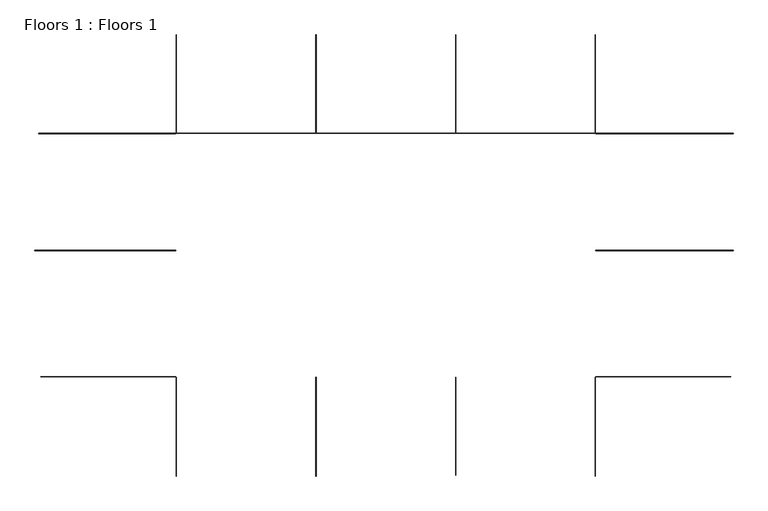
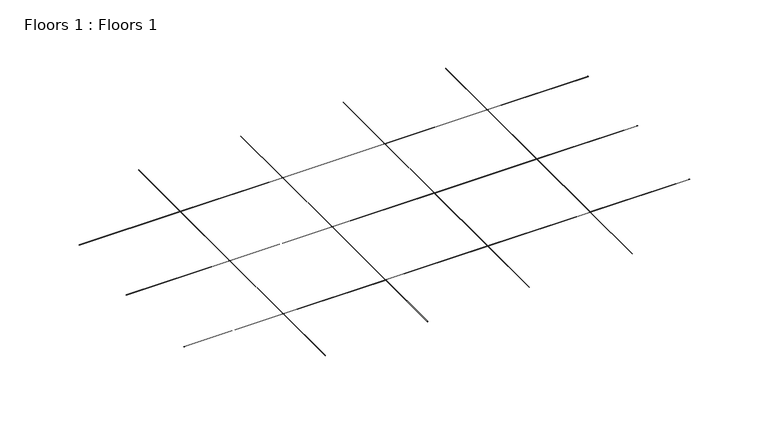
"""IFC4 building model written with IfcOpenShell, lengths in millimetres: slab geometry, Floors 1 : Floors 1."""

from ifc_helpers import new_model, si_unit, frame, origin, place, context, project, spatial, polyline, outline, extrude, source, transform, mapped, element, save


def floors_1_floors_1_1921b667(model_context):
    return source(origin(), model_context, "Body", "SweptSolid", [
        extrude(outline(polyline([(-9067.5772188, 380.3575449), (-9067.5772188, 5375.3575449), (-14945.5772188, 5375.3575449), (-14945.5772188, 5380.3575449), (-9067.5772188, 5380.3575449), (-9067.5772188, 9592.8575449), (-9062.5772188, 9592.8575449), (-9062.5772188, 5380.3575449), (-3098.5772188, 5380.3575449), (-3098.5772188, 9592.8575449), (-3093.5772188, 9592.8575449), (-3093.5772188, 5380.3575449), (2870.4227812, 5380.3575449), (2870.4227812, 9592.8575449), (2875.4227812, 9592.8575449), (2875.4227812, 5380.3575449), (8839.4227812, 5380.3575449), (8839.4227812, 9592.8575449), (8844.4227812, 9592.8575449), (8844.4227812, 5380.3575449), (14727.6227812, 5380.3575449), (14727.6227812, 5375.3575449), (8844.4227812, 5375.3575449), (8844.4227812, 380.3575449), (14727.6227812, 380.3575449), (14727.6227812, 375.3575449), (8844.4227812, 375.3575449), (8844.4227812, -5017.1547731), (14637.8227812, -5017.1547731), (14637.8227812, -5022.1547731), (8844.4227812, -5022.1547731), (8844.4227812, -9258.7424551), (8839.4227812, -9258.7424551), (8839.4227812, -5022.1547731), (2875.4227812, -5022.1547731), (2875.4227812, -9215.7424551), (2870.4227812, -9215.7424551), (2870.4227812, -5022.1547731), (-3093.5772188, -5022.1547731), (-3093.5772188, -9258.7424551), (-3098.5772188, -9258.7424551), (-3098.5772188, -5022.1547731), (-9062.5772188, -5022.1547731), (-9062.5772188, -9258.7424551), (-9067.5772188, -9258.7424551), (-9067.5772188, -5022.1547731), (-14858.9772188, -5022.1547731), (-14858.9772188, -5017.1547731), (-9067.5772188, -5017.1547731), (-9067.5772188, 375.3575449), (-15110.5772188, 375.3575449), (-15110.5772188, 380.3575449), (-9067.5772188, 380.3575449)]), holes=[polyline([(-9062.5772188, 380.3575449), (-3098.5772188, 380.3575449), (-3098.5772188, 5375.3575449), (-9062.5772188, 5375.3575449), (-9062.5772188, 380.3575449)]), polyline([(-3093.5772188, 380.3575449), (2870.4227812, 380.3575449), (2870.4227812, 5375.3575449), (-3093.5772188, 5375.3575449), (-3093.5772188, 380.3575449)]), polyline([(2875.4227812, 375.3575449), (2875.4227812, -5017.1547731), (8839.4227812, -5017.1547731), (8839.4227812, 375.3575449), (2875.4227812, 375.3575449)]), polyline([(2875.4227812, 5375.3575449), (2875.4227812, 380.3575449), (8839.4227812, 380.3575449), (8839.4227812, 5375.3575449), (2875.4227812, 5375.3575449)]), polyline([(-9062.5772188, -5017.1547731), (-3098.5772188, -5017.1547731), (-3098.5772188, 375.3575449), (-9062.5772188, 375.3575449), (-9062.5772188, -5017.1547731)]), polyline([(-3093.5772188, -5017.1547731), (2870.4227812, -5017.1547731), (2870.4227812, 375.3575449), (-3093.5772188, 375.3575449), (-3093.5772188, -5017.1547731)])]), frame((0.0, 0.0, -10.0), z_axis=(0.0, 0.0, 1.0), x_axis=(1.0, 0.0, 0.0)), (0.0, 0.0, 1.0), 10.0),
    ])


if __name__ == "__main__":
    model = new_model("IFC4")
    model_context = context("Model", 3, world=origin())
    ifc_project = project(units=[si_unit("LENGTHUNIT", "METRE", prefix="MILLI")], contexts=[model_context])
    site = spatial("IfcSite", under=ifc_project)
    building = spatial("IfcBuilding", under=site)
    placement = place(None, origin())
    floors_1_floors_1_shape = floors_1_floors_1_1921b667(model_context)
    element("IfcSlab", 1, ObjectType="Floors 1 : Floors 1", at=placement, inside=building, context=model_context, shape_type="MappedRepresentation", body=[
        mapped(floors_1_floors_1_shape, transform((0.0, 0.0, 0.0), x_axis=(1.0, 0.0, 0.0), y_axis=(0.0, 1.0, 0.0), z_axis=(0.0, 0.0, 1.0))),
    ])
    save(model, "model.ifc")
